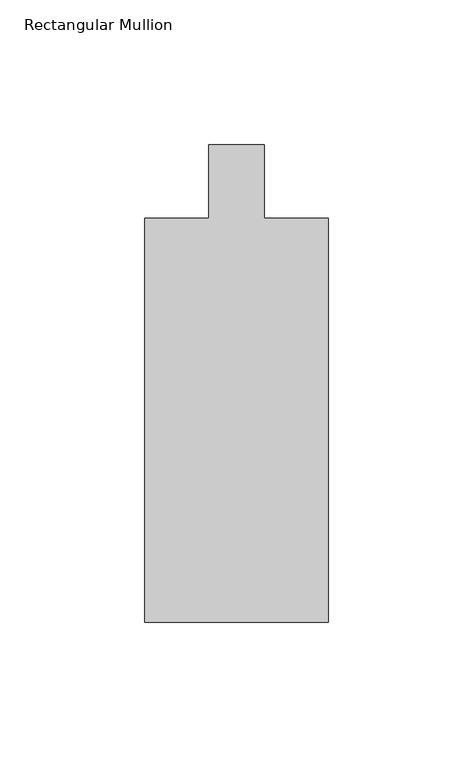
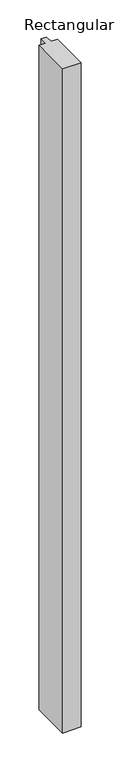
"""IFC4 building model written with IfcOpenShell, lengths in millimetres: member geometry, Rectangular Mullion."""

from ifc_helpers import new_model, si_unit, frame, origin, place, context, project, spatial, polyline, outline, extrude, source, transform, mapped, element, save


def rectangular_mullion_670df251(model_context):
    return source(origin(), model_context, "Body", "SweptSolid", [
        extrude(outline(polyline([(0.0, -165.099995), (0.0, -25.4), (22.225, -25.4), (22.225, 0.0), (41.2752264, 0.0), (41.2752264, -25.4), (63.5001132, -25.4), (63.5001132, -165.099995), (0.0, -165.099995)])), frame((0.0, 0.0, -2406.65), z_axis=(0.0, 0.0, 1.0), x_axis=(1.0, 0.0, 0.0)), (0.0, 0.0, 1.0), 2406.65),
    ])


if __name__ == "__main__":
    model = new_model("IFC4")
    model_context = context("Model", 3, world=origin())
    ifc_project = project(units=[si_unit("LENGTHUNIT", "METRE", prefix="MILLI")], contexts=[model_context])
    site = spatial("IfcSite", under=ifc_project)
    building = spatial("IfcBuilding", under=site)
    placement = place(None, origin())
    rectangular_mullion_shape = rectangular_mullion_670df251(model_context)
    element("IfcMember", 1, ObjectType="Rectangular Mullion", at=placement, inside=building, context=model_context, shape_type="MappedRepresentation", body=[
        mapped(rectangular_mullion_shape, transform((0.0, 0.0, 0.0), x_axis=(1.0, 0.0, 0.0), y_axis=(0.0, 1.0, 0.0), z_axis=(0.0, 0.0, 1.0))),
    ])
    save(model, "model.ifc")
